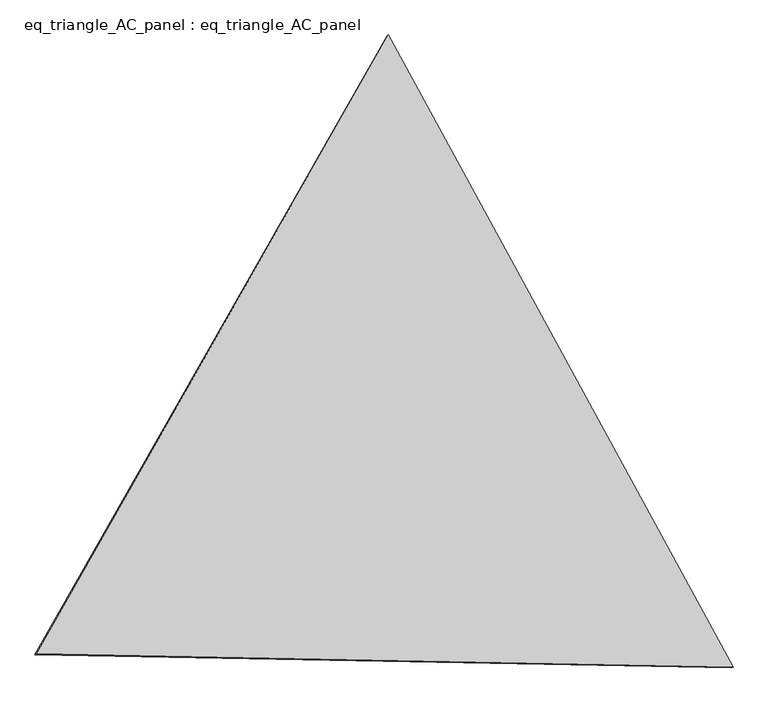
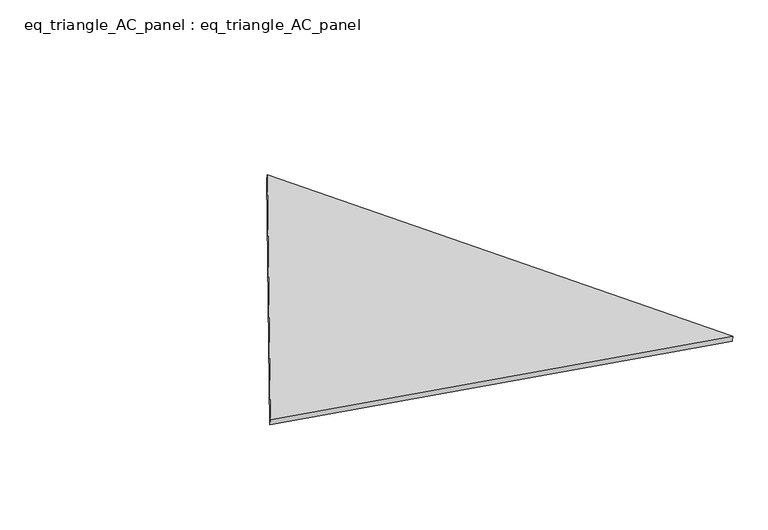
"""IFC4 building model written with IfcOpenShell, lengths in millimetres: proxy geometry, eq_triangle_AC_panel : eq_triangle_AC_panel."""

from ifc_helpers import new_model, si_unit, frame, origin, place, context, project, spatial, polyline, outline, extrude, source, transform, mapped, element, save


def eq_triangle_ac_panel_eq_triangle_ac_panel_309f38b7(model_context):
    return source(origin(), model_context, "Body", "SweptSolid", [
        extrude(outline(polyline([(-2091.2678281, 1173.1712295), (2032.847065, 1173.1712294), (58.420763, -2346.342459), (-2091.2678281, 1173.1712295)])), frame((0.0038051, 527.9290861, 89.8240019), z_axis=(0.1452632851805816, 0.08386570281802251, 0.9858321976225896), x_axis=(0.4785971192669153, -0.8780247070051831, 0.004172687128522911)), (0.0, 0.0, 1.0), 43.8306294),
    ])


if __name__ == "__main__":
    model = new_model("IFC4")
    model_context = context("Model", 3, world=origin())
    ifc_project = project(units=[si_unit("LENGTHUNIT", "METRE", prefix="MILLI")], contexts=[model_context])
    site = spatial("IfcSite", under=ifc_project)
    building = spatial("IfcBuilding", under=site)
    placement = place(None, origin())
    eq_triangle_ac_panel_eq_triangle_ac_panel_shape = eq_triangle_ac_panel_eq_triangle_ac_panel_309f38b7(model_context)
    element("IfcBuildingElementProxy", 1, Name="eq_triangle_AC_panel : eq_triangle_AC_panel", ObjectType="eq_triangle_AC_panel : eq_triangle_AC_panel", at=placement, inside=building, context=model_context, shape_type="MappedRepresentation", body=[
        mapped(eq_triangle_ac_panel_eq_triangle_ac_panel_shape, transform((0.0, 0.0, 0.0), x_axis=(1.0, 0.0, 0.0), y_axis=(0.0, 1.0, 0.0), z_axis=(0.0, 0.0, 1.0))),
    ])
    save(model, "model.ifc")
